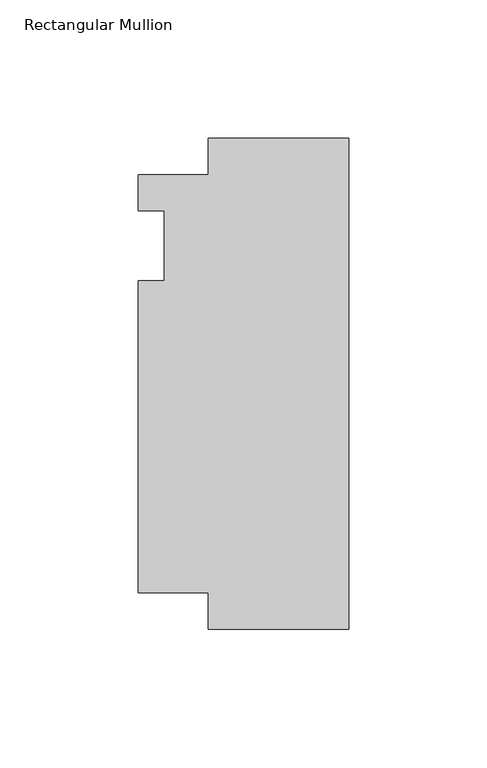
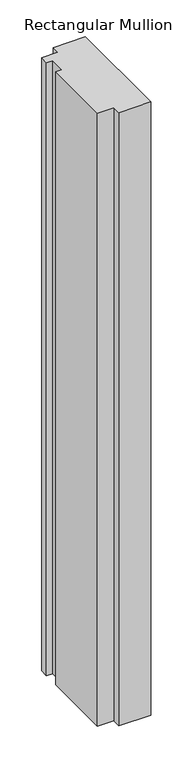
"""IFC4 building model written with IfcOpenShell, lengths in millimetres: member geometry, Rectangular Mullion."""

from ifc_helpers import new_model, si_unit, frame, origin, place, context, project, spatial, polyline, outline, extrude, source, transform, mapped, element, save


def rectangular_mullion_2b57624a(model_context):
    return source(origin(), model_context, "Body", "SweptSolid", [
        extrude(outline(polyline([(-76.2, 25.5984375), (-50.8, 25.5984375), (-50.8, 38.89375), (0.0, 38.89375), (0.0, -138.9073823), (-50.8, -138.9073823), (-50.8, -125.6109375), (-76.2, -125.6109375), (-76.2, -12.7), (-66.675, -12.7), (-66.675, 12.7), (-76.2, 12.7), (-76.2, 25.5984375)])), frame((0.0, 0.0, -1016.0), z_axis=(0.0, 0.0, 1.0), x_axis=(1.0, 0.0, 0.0)), (0.0, 0.0, 1.0), 1016.0),
    ])


if __name__ == "__main__":
    model = new_model("IFC4")
    model_context = context("Model", 3, world=origin())
    ifc_project = project(units=[si_unit("LENGTHUNIT", "METRE", prefix="MILLI")], contexts=[model_context])
    site = spatial("IfcSite", under=ifc_project)
    building = spatial("IfcBuilding", under=site)
    placement = place(None, origin())
    rectangular_mullion_shape = rectangular_mullion_2b57624a(model_context)
    element("IfcMember", 1, ObjectType="Rectangular Mullion", at=placement, inside=building, context=model_context, shape_type="MappedRepresentation", body=[
        mapped(rectangular_mullion_shape, transform((0.0, 0.0, 0.0), x_axis=(1.0, 0.0, 0.0), y_axis=(0.0, 1.0, 0.0), z_axis=(0.0, 0.0, 1.0))),
    ])
    save(model, "model.ifc")
